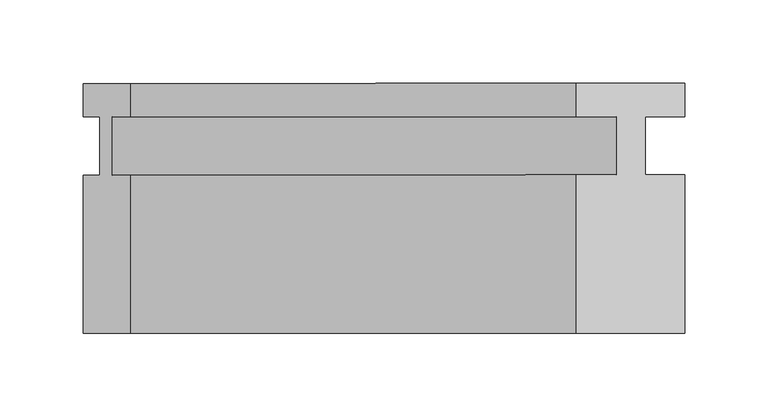
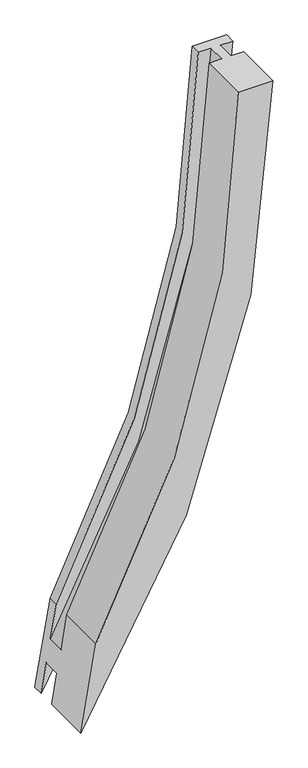
"""IFC4 building model written with IfcOpenShell, lengths in millimetres: member geometry."""

from ifc_helpers import new_model, si_unit, frame, origin, place, context, project, spatial, polyline, circle_curve, source, transform, mapped, element, save
from ifc_brep_helpers import plane_surface, cylinder_surface, revolved_surface, advanced_brep


def member_9092144c(model_context):
    return source(origin(), model_context, "Body", "AdvancedBrep", [
        advanced_brep(
        [(-332.6852015, 17.0, -1004.5520456), (-65.0, 17.0, 0.0), (-65.0, 37.0, 0.0), (-332.6852015, 37.0, -1004.5520456), (-343.7260302, 17.0, -1069.7567399), (-41.1875, 17.0, 0.0), (-343.7260302, -18.0, -1069.7567399), (-41.1875, -18.0, 0.0), (-332.6852015, -18.0, -1004.5520456), (-65.0, -18.0, 0.0), (-332.6852015, -113.0, -1004.5520456), (-65.0, -113.0, 0.0), (-361.1054121, -113.0, -1172.3955287), (0.0, -113.0, 0.0), (-361.1054121, -18.0, -1172.3955287), (0.0, -18.0, 0.0), (-351.2876085, -18.0, -1114.4137506), (-23.8125, -18.0, 0.0), (-351.2876085, 17.0, -1114.4137506), (-23.8125, 17.0, 0.0), (-361.1054121, 17.0, -1172.3955287), (0.0, 17.0, 0.0), (-361.1054121, 37.0, -1172.3955287), (0.0, 37.0, 0.0)],
        [
            (0, 1, circle_curve(frame((-2083.7522008, 17.0, 0.0), z_axis=(0.0, -1.0, 0.0), x_axis=(1.0, 0.0, 0.0)), 2018.7522008)),
            (1, 2),
            (2, 3, circle_curve(frame((-2083.7522008, 37.0, 0.0), z_axis=(0.0, 1.0, 0.0), x_axis=(1.0, 0.0, 0.0)), 2018.7522008)),
            (3, 0),
            (4, 5, circle_curve(frame((-2083.7522008, 17.0, 0.0), z_axis=(0.0, -1.0, 0.0), x_axis=(1.0, 0.0, 0.0)), 2042.5647008)),
            (5, 1),
            (0, 4),
            (6, 7, circle_curve(frame((-2083.7522008, -18.0, 0.0), z_axis=(0.0, -1.0, 0.0), x_axis=(1.0, 0.0, 0.0)), 2042.5647008)),
            (7, 5),
            (4, 6),
            (8, 9, circle_curve(frame((-2083.7522008, -18.0, 0.0), z_axis=(0.0, -1.0, 0.0), x_axis=(1.0, 0.0, 0.0)), 2018.7522008)),
            (9, 7),
            (6, 8),
            (10, 11, circle_curve(frame((-2083.7522008, -113.0, 0.0), z_axis=(0.0, -1.0, 0.0), x_axis=(1.0, 0.0, 0.0)), 2018.7522008)),
            (11, 9),
            (8, 10),
            (12, 13, circle_curve(frame((-2083.7522008, -113.0, 0.0), z_axis=(0.0, -1.0, 0.0), x_axis=(1.0, 0.0, 0.0)), 2083.7522008)),
            (13, 11),
            (10, 12),
            (14, 15, circle_curve(frame((-2083.7522008, -18.0, 0.0), z_axis=(0.0, -1.0, 0.0), x_axis=(1.0, 0.0, 0.0)), 2083.7522008)),
            (15, 13),
            (12, 14),
            (16, 17, circle_curve(frame((-2083.7522008, -18.0, 0.0), z_axis=(0.0, -1.0, 0.0), x_axis=(1.0, 0.0, 0.0)), 2059.9397008)),
            (17, 15),
            (14, 16),
            (18, 19, circle_curve(frame((-2083.7522008, 17.0, 0.0), z_axis=(0.0, -1.0, 0.0), x_axis=(1.0, 0.0, 0.0)), 2059.9397008)),
            (19, 17),
            (16, 18),
            (20, 21, circle_curve(frame((-2083.7522008, 17.0, 0.0), z_axis=(0.0, -1.0, 0.0), x_axis=(1.0, 0.0, 0.0)), 2083.7522008)),
            (21, 19),
            (18, 20),
            (22, 23, circle_curve(frame((-2083.7522008, 37.0, 0.0), z_axis=(0.0, -1.0, 0.0), x_axis=(1.0, 0.0, 0.0)), 2083.7522008)),
            (23, 21),
            (20, 22),
            (2, 23),
            (22, 3),
        ],
        [
            revolved_surface(polyline([(-65.0, 37.0, 0.0), (-65.0, 17.0, 0.0)]), (-2083.7522008, 0.0, 0.0), (0.0, 1.0, 0.0)),
            plane_surface(frame((-2083.7522008, 17.0, 0.0), z_axis=(0.0, -1.0, 0.0), x_axis=(1.0, 0.0, 0.0))),
            revolved_surface(polyline([(-41.1875, 17.0, 0.0), (-41.1875, -18.0, 0.0)]), (-2083.7522008, 0.0, 0.0), (0.0, 1.0, 0.0)),
            plane_surface(frame((-2083.7522008, -18.0, 0.0), z_axis=(0.0, 1.0, 0.0), x_axis=(1.0, 0.0, 0.0))),
            revolved_surface(polyline([(-65.0, -18.0, 0.0), (-65.0, -113.0, 0.0)]), (-2083.7522008, 0.0, 0.0), (0.0, 1.0, 0.0)),
            plane_surface(frame((-2083.7522008, -113.0, 0.0), z_axis=(0.0, -1.0, 0.0), x_axis=(1.0, 0.0, 0.0))),
            cylinder_surface(frame((-2083.7522008, 0.0, 0.0), z_axis=(0.0, 1.0, 0.0), x_axis=(1.0, 0.0, 0.0)), 2083.7522008),
            cylinder_surface(frame((-2083.7522008, 0.0, 0.0), z_axis=(0.0, 1.0, 0.0), x_axis=(1.0, 0.0, 0.0)), 2059.9397008),
            plane_surface(frame((-2083.7522008, 37.0, 0.0), z_axis=(0.0, 1.0, 0.0), x_axis=(1.0, 0.0, 0.0))),
            plane_surface(frame((-304.8, 0.0, 0.0), z_axis=(0.0, 0.0, 1.0), x_axis=(0.0, 1.0, 0.0))),
            plane_surface(frame((-347.5532094, 0.0, -1092.3592145), z_axis=(-0.985965487073452, 0.0, 0.16694926864173687), x_axis=(0.16694926864173687, 0.0, 0.985965487073452))),
        ],
        [
            (0, [[1, 2, 3, 4]]),
            (1, [[5, 6, -1, 7]]),
            (2, [[8, 9, -5, 10]]),
            (3, [[11, 12, -8, 13]]),
            (4, [[14, 15, -11, 16]]),
            (5, [[17, 18, -14, 19]]),
            (6, [[20, 21, -17, 22]]),
            (3, [[23, 24, -20, 25]]),
            (7, [[26, 27, -23, 28]]),
            (1, [[29, 30, -26, 31]]),
            (6, [[32, 33, -29, 34]]),
            (8, [[-3, 35, -32, 36]]),
            (9, [[-2, -6, -9, -12, -15, -18, -21, -24, -27, -30, -33, -35]]),
            (10, [[-36, -34, -31, -28, -25, -22, -19, -16, -13, -10, -7, -4]]),
        ],
    ),
    ])


if __name__ == "__main__":
    model = new_model("IFC4")
    model_context = context("Model", 3, world=origin())
    ifc_project = project(units=[si_unit("LENGTHUNIT", "METRE", prefix="MILLI")], contexts=[model_context])
    site = spatial("IfcSite", under=ifc_project)
    building = spatial("IfcBuilding", under=site)
    placement = place(None, origin())
    member_shape = member_9092144c(model_context)
    element("IfcMember", 1, at=placement, inside=building, context=model_context, shape_type="MappedRepresentation", body=[
        mapped(member_shape, transform((0.0, 0.0, 0.0), x_axis=(1.0, 0.0, 0.0), y_axis=(0.0, 1.0, 0.0), z_axis=(0.0, 0.0, 1.0))),
    ])
    save(model, "model.ifc")
